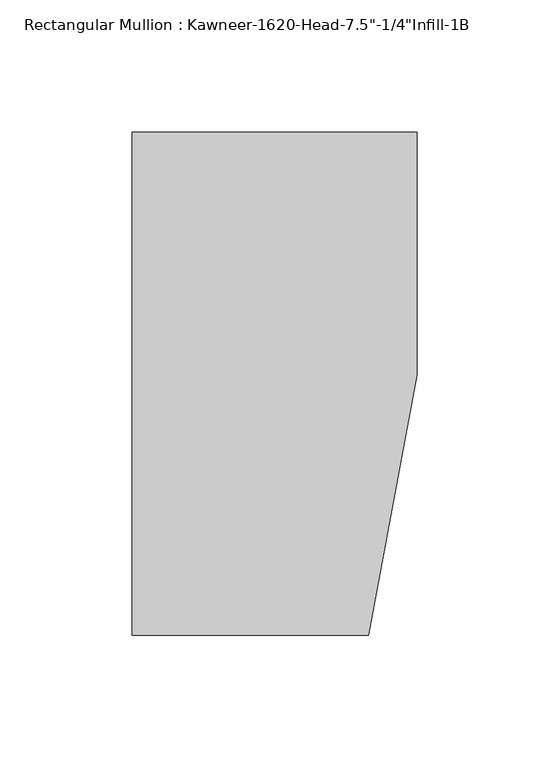
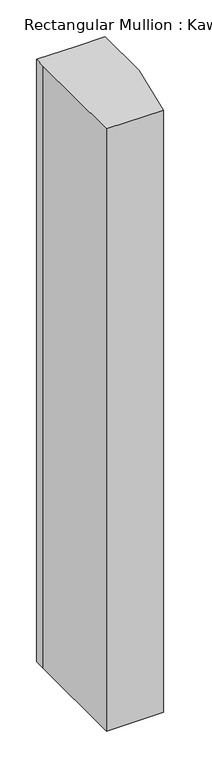
"""IFC4 building model written with IfcOpenShell, lengths in millimetres: member geometry."""

import ifcopenshell
import ifcopenshell.guid

model = None  # the IFC model being written
_history = None  # IfcOwnerHistory: only IFC2X3 demands one
_inside = {}  # id of a spatial element -> (the spatial element, [elements in it])
_under = {}  # id of a project, library or spatial element -> (it, [spatial elements below it])
_declared = {}  # id of a project -> (the project, [libraries it declares])
_typed = {}  # id of a type object -> (the type object, [elements of that type])
_made_of = {}  # id of a material, layer set ... -> (it, [elements and type objects made of it])


def new_model(schema):
    """Start an empty IFC model of exactly this schema.

    Asked for "IFC4X3", IfcOpenShell would pick the latest addendum, in which some entities
    have other attributes; the version numbers below select the first issue.
    IFC2X3 requires an IfcOwnerHistory on every rooted entity: one is made here for all.
    """
    global model, _history
    if schema == "IFC4X3":
        model = ifcopenshell.file(schema_version=(4, 3, 0, 0))
    else:
        model = ifcopenshell.file(schema=schema)
    _inside.clear()
    _under.clear()
    _declared.clear()
    _typed.clear()
    _made_of.clear()
    _history = None
    if model.schema == "IFC2X3":
        org = make("IfcOrganization", Name="unknown")
        user = make(
            "IfcPersonAndOrganization",
            ThePerson=make("IfcPerson", FamilyName="unknown"),
            TheOrganization=org,
        )
        app = make(
            "IfcApplication",
            ApplicationDeveloper=org,
            Version="unknown",
            ApplicationFullName="unknown",
            ApplicationIdentifier="unknown",
        )
        _history = make(
            "IfcOwnerHistory",
            OwningUser=user,
            OwningApplication=app,
            ChangeAction="ADDED",
            CreationDate=0,
        )
    return model


def make(cls, **values):
    """One entity of the class cls with the attributes given. An attribute that is None is left unset."""
    return model.create_entity(
        cls, **{name: value for name, value in values.items() if value is not None}
    )


def rooted(cls, **values):
    """An entity with a GlobalId (a new one), such as an element, a storey or a relation."""
    return make(cls, GlobalId=ifcopenshell.guid.new(), OwnerHistory=_history, **values)


def si_unit(unit_type, name, prefix=None):
    """IfcSIUnit, for example si_unit("LENGTHUNIT", "METRE", prefix="MILLI")."""
    return make("IfcSIUnit", UnitType=unit_type, Prefix=prefix, Name=name)


def assignment(units):
    """IfcUnitAssignment: the units of a project."""
    return None if units is None else make("IfcUnitAssignment", Units=units)


def point(xyz):
    """IfcCartesianPoint."""
    return None if xyz is None else make("IfcCartesianPoint", Coordinates=xyz)


def direction(xyz):
    """IfcDirection."""
    return None if xyz is None else make("IfcDirection", DirectionRatios=xyz)


def frame(location, z_axis=None, x_axis=None):
    """IfcAxis2Placement3D, a coordinate frame: its origin and axes. An axis left out is left unset."""
    return make(
        "IfcAxis2Placement3D",
        Location=point(location),
        Axis=direction(z_axis),
        RefDirection=direction(x_axis),
    )


def origin():
    """The frame at (0, 0, 0) with its axes left unset."""
    return frame((0.0, 0.0, 0.0))


def place(relative_to, where):
    """IfcLocalPlacement: puts the frame where relative to a parent placement (None: the world)."""
    return make(
        "IfcLocalPlacement", PlacementRelTo=relative_to, RelativePlacement=where
    )


def context(
    kind, dimensions, precision=None, world=None, true_north=None, identifier=None
):
    """IfcGeometricRepresentationContext, for example the 3D "Model" context."""
    return make(
        "IfcGeometricRepresentationContext",
        ContextIdentifier=identifier,
        ContextType=kind,
        CoordinateSpaceDimension=dimensions,
        Precision=precision,
        WorldCoordinateSystem=world,
        TrueNorth=true_north,
    )


def project(units=None, contexts=None):
    """IfcProject with its units and contexts."""
    return rooted(
        "IfcProject",
        Name="project",
        RepresentationContexts=contexts,
        UnitsInContext=assignment(units),
    )


def spatial(cls, under=None, at=None, **own):
    """A site, building, storey or space (cls), placed at a placement, below another one or the project."""
    s = rooted(cls, ObjectPlacement=at, **own)
    if under is not None:
        _under.setdefault(under.id(), (under, []))[1].append(s)
    return s


def polyline(points):
    """IfcPolyline through the points."""
    return make("IfcPolyline", Points=[point(p) for p in points])


def outline(outer, holes=None, kind="AREA"):
    """IfcArbitraryClosedProfileDef: a profile drawn as a closed curve; with holes, ...WithVoids."""
    if holes is None:
        return make("IfcArbitraryClosedProfileDef", ProfileType=kind, OuterCurve=outer)
    return make(
        "IfcArbitraryProfileDefWithVoids",
        ProfileType=kind,
        OuterCurve=outer,
        InnerCurves=holes,
    )


def extrude(swept, where, along, depth):
    """IfcExtrudedAreaSolid: the profile swept, set in the frame where, extruded along a direction by depth."""
    return make(
        "IfcExtrudedAreaSolid",
        SweptArea=swept,
        Position=where,
        ExtrudedDirection=direction(along),
        Depth=depth,
    )


def shape(context_of_items, identifier, shape_type, items):
    """IfcShapeRepresentation: the items that make up one representation, for example the "Body"."""
    return make(
        "IfcShapeRepresentation",
        ContextOfItems=context_of_items,
        RepresentationIdentifier=identifier,
        RepresentationType=shape_type,
        Items=items,
    )


def source(mapping_origin, context_of_items, identifier, shape_type, items):
    """IfcRepresentationMap: a shape defined once, which mapped items show again and again."""
    return make(
        "IfcRepresentationMap",
        MappingOrigin=mapping_origin,
        MappedRepresentation=shape(context_of_items, identifier, shape_type, items),
    )


def transform(
    local_origin,
    x_axis=None,
    y_axis=None,
    z_axis=None,
    scale=None,
    scale2=None,
    scale3=None,
    uniform=True,
):
    """IfcCartesianTransformationOperator3D, or its non-uniform kind. x_axis, y_axis, z_axis: its Axis1, 2, 3."""
    if uniform:
        return make(
            "IfcCartesianTransformationOperator3D",
            Axis1=direction(x_axis),
            Axis2=direction(y_axis),
            LocalOrigin=point(local_origin),
            Scale=scale,
            Axis3=direction(z_axis),
        )
    return make(
        "IfcCartesianTransformationOperator3DnonUniform",
        Axis1=direction(x_axis),
        Axis2=direction(y_axis),
        LocalOrigin=point(local_origin),
        Scale=scale,
        Axis3=direction(z_axis),
        Scale2=scale2,
        Scale3=scale3,
    )


def mapped(mapping_source, mapping_target):
    """IfcMappedItem: shows the shape of a source again, moved by a transform."""
    return make(
        "IfcMappedItem", MappingSource=mapping_source, MappingTarget=mapping_target
    )


def made_of(thing, what):
    """Note that an element or type object is made of a material, layer set ...; save() writes the relation."""
    if what is not None:
        _made_of.setdefault(what.id(), (what, []))[1].append(thing)
    return thing


def element(
    cls,
    number,
    at=None,
    inside=None,
    cuts=None,
    type_object=None,
    material=None,
    context=None,
    identifier="Body",
    shape_type=None,
    held_by="IfcProductDefinitionShape",
    body=None,
    shapes=None,
    **own,
):
    """One element of the class cls, such as IfcWall. Its Tag is "e" and its number.

    at: its placement. inside: the storey or other place that contains it. cuts: it is an
    opening in that element (IfcRelVoidsElement). A single representation is given by context,
    identifier, shape_type and body (its items); several are given by shapes. held_by: the class
    of the entity that holds the representations. save() writes the other relations.
    """
    e = rooted(cls, Tag="e%d" % number, ObjectPlacement=at, **own)
    if body is not None:
        shapes = [shape(context, identifier, shape_type, body)]
    if shapes is not None:
        e.Representation = make(held_by, Representations=shapes)
    if inside is not None:
        _inside.setdefault(inside.id(), (inside, []))[1].append(e)
    if cuts is not None:
        rooted(
            "IfcRelVoidsElement", RelatingBuildingElement=cuts, RelatedOpeningElement=e
        )
    if type_object is not None:
        _typed.setdefault(type_object.id(), (type_object, []))[1].append(e)
    return made_of(e, material)


def aggregate(whole, parts):
    """IfcRelAggregates: a whole, such as a stair, and the parts it consists of."""
    return rooted("IfcRelAggregates", RelatingObject=whole, RelatedObjects=parts)


def save(model, path):
    """Write the relations noted so far, then the file.

    IfcRelAggregates (storeys below a building ...), IfcRelContainedInSpatialStructure (elements
    in a storey), IfcRelDefinesByType, IfcRelAssociatesMaterial and IfcRelDeclares: one each for
    every whole, place, type object, material and project.
    """
    for whole, parts in _under.values():
        aggregate(whole, parts)
    for where, things in _inside.values():
        rooted(
            "IfcRelContainedInSpatialStructure",
            RelatedElements=things,
            RelatingStructure=where,
        )
    for kind, things in _typed.values():
        rooted("IfcRelDefinesByType", RelatedObjects=things, RelatingType=kind)
    for what, things in _made_of.values():
        rooted("IfcRelAssociatesMaterial", RelatedObjects=things, RelatingMaterial=what)
    for by, libraries in _declared.values():
        rooted("IfcRelDeclares", RelatingContext=by, RelatedDefinitions=libraries)
    model.write(path)


def member_15419bad(model_context):
    return source(origin(), model_context, "Body", "SweptSolid", [
        extrude(outline(polyline([(-107.95, 10.3845466), (-107.95, 28.575), (-44.1519366, 28.575), (0.0, 28.575), (0.0, -63.5), (-18.3538271, -161.925), (-107.95, -161.925), (-107.95, 10.3845466)])), frame((0.0, 0.0, -1000.7551893), z_axis=(0.0, 0.0, 1.0), x_axis=(1.0, 0.0, 0.0)), (0.0, 0.0, 1.0), 1000.7551893),
    ])


if __name__ == "__main__":
    model = new_model("IFC4")
    model_context = context("Model", 3, world=origin())
    ifc_project = project(units=[si_unit("LENGTHUNIT", "METRE", prefix="MILLI")], contexts=[model_context])
    site = spatial("IfcSite", under=ifc_project)
    building = spatial("IfcBuilding", under=site)
    placement = place(None, origin())
    member_shape = member_15419bad(model_context)
    element("IfcMember", 1, ObjectType="Rectangular Mullion : Kawneer-1620-Head-7.5\"-1/4\"Infill-1B", at=placement, inside=building, context=model_context, shape_type="MappedRepresentation", body=[
        mapped(member_shape, transform((0.0, 0.0, 0.0), x_axis=(1.0, 0.0, 0.0), y_axis=(0.0, 1.0, 0.0), z_axis=(0.0, 0.0, 1.0))),
    ])
    save(model, "model.ifc")
